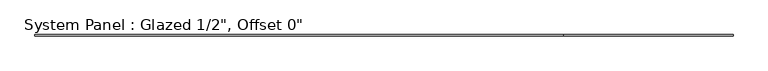
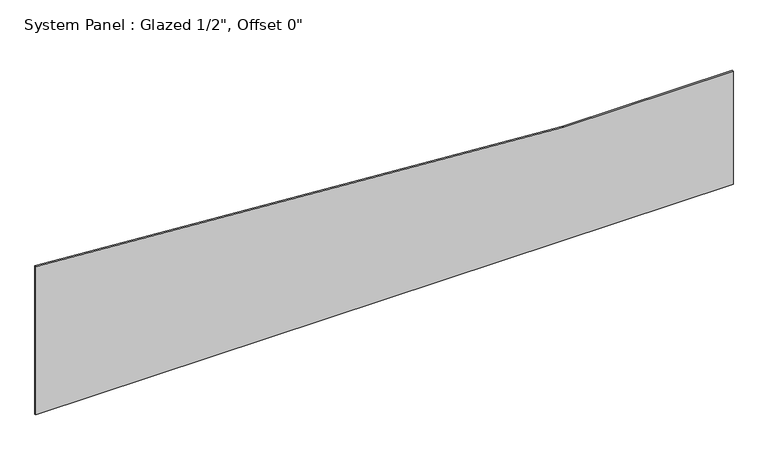
"""IFC4 building model written with IfcOpenShell, lengths in millimetres: plate geometry."""

from ifc_helpers import new_model, si_unit, frame, origin, place, context, project, spatial, polyline, outline, extrude, source, transform, mapped, element, save


def plate_3ce86c9e(model_context):
    return source(origin(), model_context, "Body", "SweptSolid", [
        extrude(outline(polyline([(0.0, -2801.5764557), (0.0, 2801.5764557), (958.85, 2801.5764557), (958.85, 1441.9633195), (1259.120387, -2801.5764557), (0.0, -2801.5764557)])), frame((0.0, -6.35, 0.0), z_axis=(0.0, 1.0, 0.0), x_axis=(0.0, 0.0, 1.0)), (0.0, 0.0, 1.0), 12.7),
    ])


if __name__ == "__main__":
    model = new_model("IFC4")
    model_context = context("Model", 3, world=origin())
    ifc_project = project(units=[si_unit("LENGTHUNIT", "METRE", prefix="MILLI")], contexts=[model_context])
    site = spatial("IfcSite", under=ifc_project)
    building = spatial("IfcBuilding", under=site)
    placement = place(None, origin())
    plate_shape = plate_3ce86c9e(model_context)
    element("IfcPlate", 1, ObjectType="System Panel : Glazed 1/2\", Offset 0\"", at=placement, inside=building, context=model_context, shape_type="MappedRepresentation", body=[
        mapped(plate_shape, transform((0.0, 0.0, 0.0), x_axis=(1.0, 0.0, 0.0), y_axis=(0.0, 1.0, 0.0), z_axis=(0.0, 0.0, 1.0))),
    ])
    save(model, "model.ifc")
